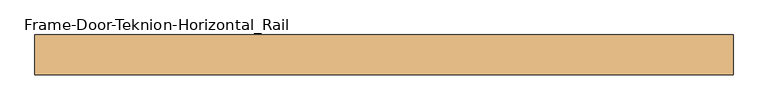
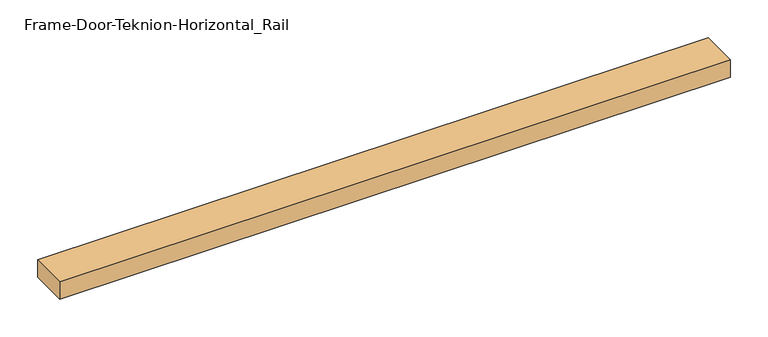
"""IFC4 building model written with IfcOpenShell, lengths in millimetres: door geometry, Frame-Door-Teknion-Horizontal_Rail."""

from ifc_helpers import new_model, si_unit, frame, origin, place, context, project, spatial, polyline, outline, extrude, source, transform, mapped, element, save


def frame_door_teknion_horizontal_rail_915d0f1b(model_context):
    return source(origin(), model_context, "Body", "SweptSolid", [
        extrude(outline(polyline([(-512.4152344, -29.2199219), (-512.4152344, 29.2199219), (512.4152344, 29.2199219), (512.4152344, -29.2199219), (-512.4152344, -29.2199219)])), frame((0.0, 0.0, -13.9898438), z_axis=(0.0, 0.0, 1.0), x_axis=(1.0, 0.0, 0.0)), (0.0, 0.0, 1.0), 27.9796875),
    ])


if __name__ == "__main__":
    model = new_model("IFC4")
    model_context = context("Model", 3, world=origin())
    ifc_project = project(units=[si_unit("LENGTHUNIT", "METRE", prefix="MILLI")], contexts=[model_context])
    site = spatial("IfcSite", under=ifc_project)
    building = spatial("IfcBuilding", under=site)
    placement = place(None, origin())
    frame_door_teknion_horizontal_rail_shape = frame_door_teknion_horizontal_rail_915d0f1b(model_context)
    element("IfcDoor", 1, ObjectType="Frame-Door-Teknion-Horizontal_Rail", at=placement, inside=building, context=model_context, shape_type="MappedRepresentation", body=[
        mapped(frame_door_teknion_horizontal_rail_shape, transform((0.0, 0.0, 0.0), x_axis=(1.0, 0.0, 0.0), y_axis=(0.0, 1.0, 0.0), z_axis=(0.0, 0.0, 1.0))),
    ])
    save(model, "model.ifc")
